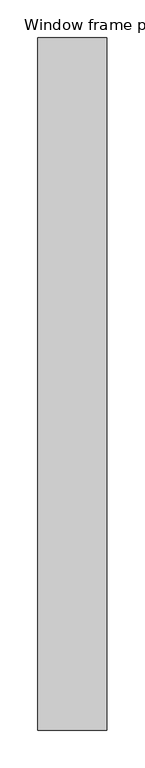
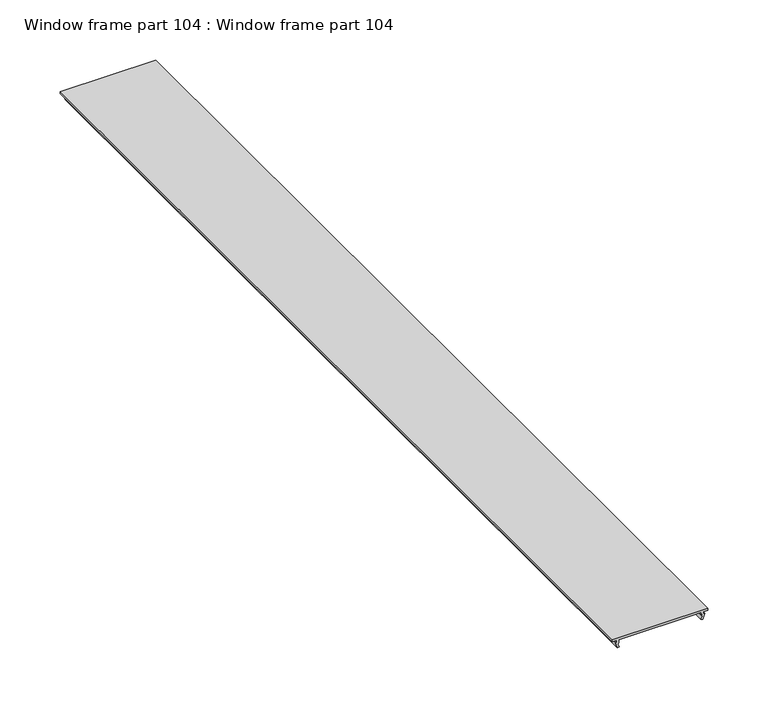
"""IFC4 building model written with IfcOpenShell, lengths in millimetres: proxy geometry, Window frame part 104 : Window frame part 104."""

import ifcopenshell
import ifcopenshell.guid

model = None  # the IFC model being written
_history = None  # IfcOwnerHistory: only IFC2X3 demands one
_inside = {}  # id of a spatial element -> (the spatial element, [elements in it])
_under = {}  # id of a project, library or spatial element -> (it, [spatial elements below it])
_declared = {}  # id of a project -> (the project, [libraries it declares])
_typed = {}  # id of a type object -> (the type object, [elements of that type])
_made_of = {}  # id of a material, layer set ... -> (it, [elements and type objects made of it])


def new_model(schema):
    """Start an empty IFC model of exactly this schema.

    Asked for "IFC4X3", IfcOpenShell would pick the latest addendum, in which some entities
    have other attributes; the version numbers below select the first issue.
    IFC2X3 requires an IfcOwnerHistory on every rooted entity: one is made here for all.
    """
    global model, _history
    if schema == "IFC4X3":
        model = ifcopenshell.file(schema_version=(4, 3, 0, 0))
    else:
        model = ifcopenshell.file(schema=schema)
    _inside.clear()
    _under.clear()
    _declared.clear()
    _typed.clear()
    _made_of.clear()
    _history = None
    if model.schema == "IFC2X3":
        org = make("IfcOrganization", Name="unknown")
        user = make(
            "IfcPersonAndOrganization",
            ThePerson=make("IfcPerson", FamilyName="unknown"),
            TheOrganization=org,
        )
        app = make(
            "IfcApplication",
            ApplicationDeveloper=org,
            Version="unknown",
            ApplicationFullName="unknown",
            ApplicationIdentifier="unknown",
        )
        _history = make(
            "IfcOwnerHistory",
            OwningUser=user,
            OwningApplication=app,
            ChangeAction="ADDED",
            CreationDate=0,
        )
    return model


def make(cls, **values):
    """One entity of the class cls with the attributes given. An attribute that is None is left unset."""
    return model.create_entity(
        cls, **{name: value for name, value in values.items() if value is not None}
    )


def rooted(cls, **values):
    """An entity with a GlobalId (a new one), such as an element, a storey or a relation."""
    return make(cls, GlobalId=ifcopenshell.guid.new(), OwnerHistory=_history, **values)


def si_unit(unit_type, name, prefix=None):
    """IfcSIUnit, for example si_unit("LENGTHUNIT", "METRE", prefix="MILLI")."""
    return make("IfcSIUnit", UnitType=unit_type, Prefix=prefix, Name=name)


def assignment(units):
    """IfcUnitAssignment: the units of a project."""
    return None if units is None else make("IfcUnitAssignment", Units=units)


def point(xyz):
    """IfcCartesianPoint."""
    return None if xyz is None else make("IfcCartesianPoint", Coordinates=xyz)


def direction(xyz):
    """IfcDirection."""
    return None if xyz is None else make("IfcDirection", DirectionRatios=xyz)


def frame(location, z_axis=None, x_axis=None):
    """IfcAxis2Placement3D, a coordinate frame: its origin and axes. An axis left out is left unset."""
    return make(
        "IfcAxis2Placement3D",
        Location=point(location),
        Axis=direction(z_axis),
        RefDirection=direction(x_axis),
    )


def origin():
    """The frame at (0, 0, 0) with its axes left unset."""
    return frame((0.0, 0.0, 0.0))


def place(relative_to, where):
    """IfcLocalPlacement: puts the frame where relative to a parent placement (None: the world)."""
    return make(
        "IfcLocalPlacement", PlacementRelTo=relative_to, RelativePlacement=where
    )


def context(
    kind, dimensions, precision=None, world=None, true_north=None, identifier=None
):
    """IfcGeometricRepresentationContext, for example the 3D "Model" context."""
    return make(
        "IfcGeometricRepresentationContext",
        ContextIdentifier=identifier,
        ContextType=kind,
        CoordinateSpaceDimension=dimensions,
        Precision=precision,
        WorldCoordinateSystem=world,
        TrueNorth=true_north,
    )


def project(units=None, contexts=None):
    """IfcProject with its units and contexts."""
    return rooted(
        "IfcProject",
        Name="project",
        RepresentationContexts=contexts,
        UnitsInContext=assignment(units),
    )


def spatial(cls, under=None, at=None, **own):
    """A site, building, storey or space (cls), placed at a placement, below another one or the project."""
    s = rooted(cls, ObjectPlacement=at, **own)
    if under is not None:
        _under.setdefault(under.id(), (under, []))[1].append(s)
    return s


def polyline(points):
    """IfcPolyline through the points."""
    return make("IfcPolyline", Points=[point(p) for p in points])


def outline(outer, holes=None, kind="AREA"):
    """IfcArbitraryClosedProfileDef: a profile drawn as a closed curve; with holes, ...WithVoids."""
    if holes is None:
        return make("IfcArbitraryClosedProfileDef", ProfileType=kind, OuterCurve=outer)
    return make(
        "IfcArbitraryProfileDefWithVoids",
        ProfileType=kind,
        OuterCurve=outer,
        InnerCurves=holes,
    )


def extrude(swept, where, along, depth):
    """IfcExtrudedAreaSolid: the profile swept, set in the frame where, extruded along a direction by depth."""
    return make(
        "IfcExtrudedAreaSolid",
        SweptArea=swept,
        Position=where,
        ExtrudedDirection=direction(along),
        Depth=depth,
    )


def shape(context_of_items, identifier, shape_type, items):
    """IfcShapeRepresentation: the items that make up one representation, for example the "Body"."""
    return make(
        "IfcShapeRepresentation",
        ContextOfItems=context_of_items,
        RepresentationIdentifier=identifier,
        RepresentationType=shape_type,
        Items=items,
    )


def source(mapping_origin, context_of_items, identifier, shape_type, items):
    """IfcRepresentationMap: a shape defined once, which mapped items show again and again."""
    return make(
        "IfcRepresentationMap",
        MappingOrigin=mapping_origin,
        MappedRepresentation=shape(context_of_items, identifier, shape_type, items),
    )


def transform(
    local_origin,
    x_axis=None,
    y_axis=None,
    z_axis=None,
    scale=None,
    scale2=None,
    scale3=None,
    uniform=True,
):
    """IfcCartesianTransformationOperator3D, or its non-uniform kind. x_axis, y_axis, z_axis: its Axis1, 2, 3."""
    if uniform:
        return make(
            "IfcCartesianTransformationOperator3D",
            Axis1=direction(x_axis),
            Axis2=direction(y_axis),
            LocalOrigin=point(local_origin),
            Scale=scale,
            Axis3=direction(z_axis),
        )
    return make(
        "IfcCartesianTransformationOperator3DnonUniform",
        Axis1=direction(x_axis),
        Axis2=direction(y_axis),
        LocalOrigin=point(local_origin),
        Scale=scale,
        Axis3=direction(z_axis),
        Scale2=scale2,
        Scale3=scale3,
    )


def mapped(mapping_source, mapping_target):
    """IfcMappedItem: shows the shape of a source again, moved by a transform."""
    return make(
        "IfcMappedItem", MappingSource=mapping_source, MappingTarget=mapping_target
    )


def made_of(thing, what):
    """Note that an element or type object is made of a material, layer set ...; save() writes the relation."""
    if what is not None:
        _made_of.setdefault(what.id(), (what, []))[1].append(thing)
    return thing


def element(
    cls,
    number,
    at=None,
    inside=None,
    cuts=None,
    type_object=None,
    material=None,
    context=None,
    identifier="Body",
    shape_type=None,
    held_by="IfcProductDefinitionShape",
    body=None,
    shapes=None,
    **own,
):
    """One element of the class cls, such as IfcWall. Its Tag is "e" and its number.

    at: its placement. inside: the storey or other place that contains it. cuts: it is an
    opening in that element (IfcRelVoidsElement). A single representation is given by context,
    identifier, shape_type and body (its items); several are given by shapes. held_by: the class
    of the entity that holds the representations. save() writes the other relations.
    """
    e = rooted(cls, Tag="e%d" % number, ObjectPlacement=at, **own)
    if body is not None:
        shapes = [shape(context, identifier, shape_type, body)]
    if shapes is not None:
        e.Representation = make(held_by, Representations=shapes)
    if inside is not None:
        _inside.setdefault(inside.id(), (inside, []))[1].append(e)
    if cuts is not None:
        rooted(
            "IfcRelVoidsElement", RelatingBuildingElement=cuts, RelatedOpeningElement=e
        )
    if type_object is not None:
        _typed.setdefault(type_object.id(), (type_object, []))[1].append(e)
    return made_of(e, material)


def aggregate(whole, parts):
    """IfcRelAggregates: a whole, such as a stair, and the parts it consists of."""
    return rooted("IfcRelAggregates", RelatingObject=whole, RelatedObjects=parts)


def save(model, path):
    """Write the relations noted so far, then the file.

    IfcRelAggregates (storeys below a building ...), IfcRelContainedInSpatialStructure (elements
    in a storey), IfcRelDefinesByType, IfcRelAssociatesMaterial and IfcRelDeclares: one each for
    every whole, place, type object, material and project.
    """
    for whole, parts in _under.values():
        aggregate(whole, parts)
    for where, things in _inside.values():
        rooted(
            "IfcRelContainedInSpatialStructure",
            RelatedElements=things,
            RelatingStructure=where,
        )
    for kind, things in _typed.values():
        rooted("IfcRelDefinesByType", RelatedObjects=things, RelatingType=kind)
    for what, things in _made_of.values():
        rooted("IfcRelAssociatesMaterial", RelatedObjects=things, RelatingMaterial=what)
    for by, libraries in _declared.values():
        rooted("IfcRelDeclares", RelatingContext=by, RelatedDefinitions=libraries)
    model.write(path)


def window_frame_part_104_window_frame_part_104_f70768a5(model_context):
    return source(origin(), model_context, "Body", "SweptSolid", [
        extrude(outline(polyline([(2948.5336, 37557.0823847), (2943.0218, 37559.0889847), (2943.6299987, 37560.7599968), (2946.4747987, 37559.7211368), (2947.6446, 37560.4364547), (2950.718, 37560.4364547), (2950.718, 37569.2312047), (2950.718, 37631.1487847), (2950.718, 37639.4291847), (2947.1671168, 37639.7635221), (2946.4747987, 37640.1330725), (2943.6299987, 37639.1043725), (2943.0218, 37640.7753847), (2948.5336, 37642.7819847), (2948.5336, 37641.2071847), (2950.718, 37641.2071847), (2950.718, 37645.5251847), (2952.75, 37645.5251847), (2952.75, 37554.3404547), (2950.718, 37554.3404547), (2950.718, 37558.6584547), (2948.5336, 37558.6571847), (2948.5336, 37557.0823847)])), frame((0.0, -19576.8264268, 0.0), z_axis=(0.0, 1.0, 0.0), x_axis=(0.0, 0.0, 1.0)), (0.0, 0.0, 1.0), 914.4),
    ])


if __name__ == "__main__":
    model = new_model("IFC4")
    model_context = context("Model", 3, world=origin())
    ifc_project = project(units=[si_unit("LENGTHUNIT", "METRE", prefix="MILLI")], contexts=[model_context])
    site = spatial("IfcSite", under=ifc_project)
    building = spatial("IfcBuilding", under=site)
    placement = place(None, origin())
    window_frame_part_104_window_frame_part_104_shape = window_frame_part_104_window_frame_part_104_f70768a5(model_context)
    element("IfcBuildingElementProxy", 1, Name="Window frame part 104 : Window frame part 104", ObjectType="Window frame part 104 : Window frame part 104", at=placement, inside=building, context=model_context, shape_type="MappedRepresentation", body=[
        mapped(window_frame_part_104_window_frame_part_104_shape, transform((0.0, 0.0, 0.0), x_axis=(1.0, 0.0, 0.0), y_axis=(0.0, 1.0, 0.0), z_axis=(0.0, 0.0, 1.0))),
    ])
    save(model, "model.ifc")
